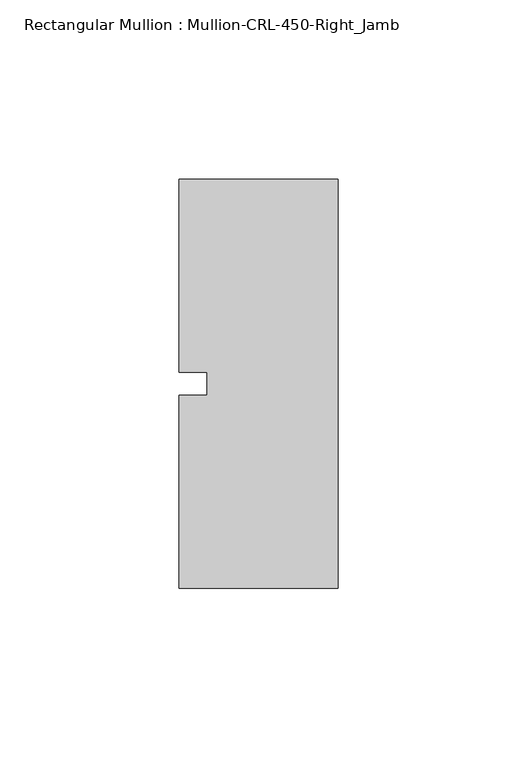
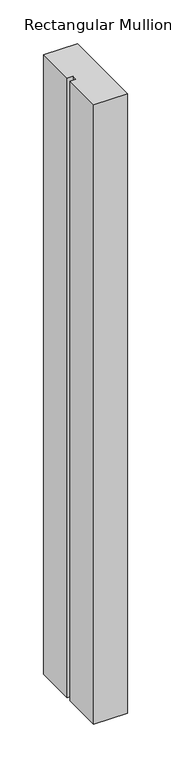
"""IFC4 building model written with IfcOpenShell, lengths in millimetres: member geometry, Rectangular Mullion : Mullion-CRL-450-Right_Jamb."""

from ifc_helpers import new_model, si_unit, frame, origin, place, context, project, spatial, polyline, outline, extrude, source, transform, mapped, element, save


def rectangular_mullion_mullion_crl_450_right_jamb_8c956bc4(model_context):
    return source(origin(), model_context, "Body", "SweptSolid", [
        extrude(outline(polyline([(-44.45, -57.15), (-44.45, -3.175), (-36.5125, -3.175), (-36.5125, 3.175), (-44.45, 3.175), (-44.45, 57.15), (0.0, 57.15), (0.0, -57.15), (-44.45, -57.15)])), frame((0.0, 0.0, -863.6), z_axis=(0.0, 0.0, 1.0), x_axis=(1.0, 0.0, 0.0)), (0.0, 0.0, 1.0), 863.6),
    ])


if __name__ == "__main__":
    model = new_model("IFC4")
    model_context = context("Model", 3, world=origin())
    ifc_project = project(units=[si_unit("LENGTHUNIT", "METRE", prefix="MILLI")], contexts=[model_context])
    site = spatial("IfcSite", under=ifc_project)
    building = spatial("IfcBuilding", under=site)
    placement = place(None, origin())
    rectangular_mullion_mullion_crl_450_right_jamb_shape = rectangular_mullion_mullion_crl_450_right_jamb_8c956bc4(model_context)
    element("IfcMember", 1, ObjectType="Rectangular Mullion : Mullion-CRL-450-Right_Jamb", at=placement, inside=building, context=model_context, shape_type="MappedRepresentation", body=[
        mapped(rectangular_mullion_mullion_crl_450_right_jamb_shape, transform((0.0, 0.0, 0.0), x_axis=(1.0, 0.0, 0.0), y_axis=(0.0, 1.0, 0.0), z_axis=(0.0, 0.0, 1.0))),
    ])
    save(model, "model.ifc")
